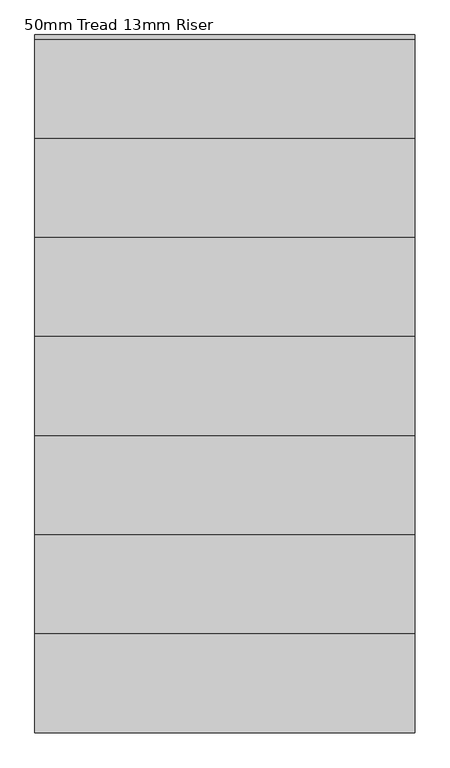
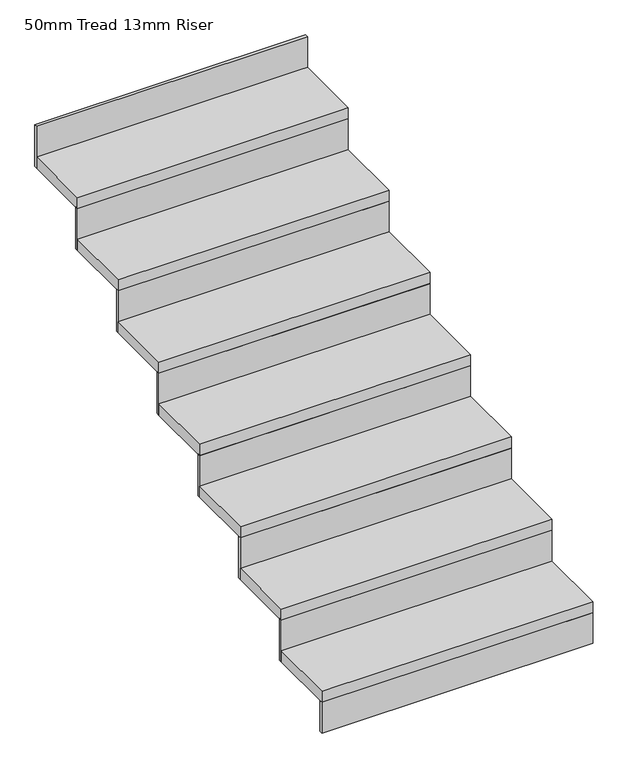
"""IFC4 building model written with IfcOpenShell, lengths in millimetres: stair flight geometry, 50mm Tread 13mm Riser."""

from ifc_helpers import new_model, si_unit, frame, origin, place, context, project, spatial, polyline, outline, extrude, source, transform, mapped, element, save


def stair_flight_50mm_tread_13mm_riser_e009d497(model_context):
    return source(origin(), model_context, "Body", "SweptSolid", [
        extrude(outline(polyline([(1534.355623, -11459.865151), (1534.355623, -11472.365151), (383.6347234, -11472.365151), (383.6347234, -11459.865151), (1534.355623, -11459.865151)])), frame((0.0, 0.0, 15000.0), z_axis=(0.0, 0.0, 1.0), x_axis=(1.0, 0.0, 0.0)), (0.0, 0.0, 1.0), 137.5),
        extrude(outline(polyline([(383.6347234, -11172.365151), (1534.355623, -11172.365151), (1534.355623, -11472.365151), (383.6347234, -11472.365151), (383.6347234, -11172.365151)])), frame((0.0, 0.0, 15137.5), z_axis=(0.0, 0.0, 1.0), x_axis=(1.0, 0.0, 0.0)), (0.0, 0.0, 1.0), 50.0),
        extrude(outline(polyline([(1534.355623, -11159.865151), (1534.355623, -11172.365151), (383.6347234, -11172.365151), (383.6347234, -11159.865151), (1534.355623, -11159.865151)])), frame((0.0, 0.0, 15137.5), z_axis=(0.0, 0.0, 1.0), x_axis=(1.0, 0.0, 0.0)), (0.0, 0.0, 1.0), 187.5),
        extrude(outline(polyline([(383.6347234, -10872.365151), (1534.355623, -10872.365151), (1534.355623, -11172.365151), (383.6347234, -11172.365151), (383.6347234, -10872.365151)])), frame((0.0, 0.0, 15325.0), z_axis=(0.0, 0.0, 1.0), x_axis=(1.0, 0.0, 0.0)), (0.0, 0.0, 1.0), 50.0),
        extrude(outline(polyline([(1534.355623, -10859.865151), (1534.355623, -10872.365151), (383.6347234, -10872.365151), (383.6347234, -10859.865151), (1534.355623, -10859.865151)])), frame((0.0, 0.0, 15325.0), z_axis=(0.0, 0.0, 1.0), x_axis=(1.0, 0.0, 0.0)), (0.0, 0.0, 1.0), 187.5),
        extrude(outline(polyline([(383.6347234, -10572.365151), (1534.355623, -10572.365151), (1534.355623, -10872.365151), (383.6347234, -10872.365151), (383.6347234, -10572.365151)])), frame((0.0, 0.0, 15512.5), z_axis=(0.0, 0.0, 1.0), x_axis=(1.0, 0.0, 0.0)), (0.0, 0.0, 1.0), 50.0),
        extrude(outline(polyline([(1534.355623, -10559.865151), (1534.355623, -10572.365151), (383.6347234, -10572.365151), (383.6347234, -10559.865151), (1534.355623, -10559.865151)])), frame((0.0, 0.0, 15512.5), z_axis=(0.0, 0.0, 1.0), x_axis=(1.0, 0.0, 0.0)), (0.0, 0.0, 1.0), 187.5),
        extrude(outline(polyline([(383.6347234, -10272.365151), (1534.355623, -10272.365151), (1534.355623, -10572.365151), (383.6347234, -10572.365151), (383.6347234, -10272.365151)])), frame((0.0, 0.0, 15700.0), z_axis=(0.0, 0.0, 1.0), x_axis=(1.0, 0.0, 0.0)), (0.0, 0.0, 1.0), 50.0),
        extrude(outline(polyline([(1534.355623, -10259.865151), (1534.355623, -10272.365151), (383.6347234, -10272.365151), (383.6347234, -10259.865151), (1534.355623, -10259.865151)])), frame((0.0, 0.0, 15700.0), z_axis=(0.0, 0.0, 1.0), x_axis=(1.0, 0.0, 0.0)), (0.0, 0.0, 1.0), 187.5),
        extrude(outline(polyline([(383.6347234, -9972.365151), (1534.355623, -9972.365151), (1534.355623, -10272.365151), (383.6347234, -10272.365151), (383.6347234, -9972.365151)])), frame((0.0, 0.0, 15887.5), z_axis=(0.0, 0.0, 1.0), x_axis=(1.0, 0.0, 0.0)), (0.0, 0.0, 1.0), 50.0),
        extrude(outline(polyline([(1534.355623, -9959.865151), (1534.355623, -9972.365151), (383.6347234, -9972.365151), (383.6347234, -9959.865151), (1534.355623, -9959.865151)])), frame((0.0, 0.0, 15887.5), z_axis=(0.0, 0.0, 1.0), x_axis=(1.0, 0.0, 0.0)), (0.0, 0.0, 1.0), 187.5),
        extrude(outline(polyline([(383.6347234, -9672.365151), (1534.355623, -9672.365151), (1534.355623, -9972.365151), (383.6347234, -9972.365151), (383.6347234, -9672.365151)])), frame((0.0, 0.0, 16075.0), z_axis=(0.0, 0.0, 1.0), x_axis=(1.0, 0.0, 0.0)), (0.0, 0.0, 1.0), 50.0),
        extrude(outline(polyline([(1534.355623, -9659.865151), (1534.355623, -9672.365151), (383.6347234, -9672.365151), (383.6347234, -9659.865151), (1534.355623, -9659.865151)])), frame((0.0, 0.0, 16075.0), z_axis=(0.0, 0.0, 1.0), x_axis=(1.0, 0.0, 0.0)), (0.0, 0.0, 1.0), 187.5),
        extrude(outline(polyline([(1534.355623, -9359.865151), (1534.355623, -9372.365151), (383.6347234, -9372.365151), (383.6347234, -9359.865151), (1534.355623, -9359.865151)])), frame((0.0, 0.0, 16262.5), z_axis=(0.0, 0.0, 1.0), x_axis=(1.0, 0.0, 0.0)), (0.0, 0.0, 1.0), 187.5),
        extrude(outline(polyline([(383.6347234, -9372.365151), (1534.355623, -9372.365151), (1534.355623, -9672.365151), (383.6347234, -9672.365151), (383.6347234, -9372.365151)])), frame((0.0, 0.0, 16262.5), z_axis=(0.0, 0.0, 1.0), x_axis=(1.0, 0.0, 0.0)), (0.0, 0.0, 1.0), 50.0),
    ])


if __name__ == "__main__":
    model = new_model("IFC4")
    model_context = context("Model", 3, world=origin())
    ifc_project = project(units=[si_unit("LENGTHUNIT", "METRE", prefix="MILLI")], contexts=[model_context])
    site = spatial("IfcSite", under=ifc_project)
    building = spatial("IfcBuilding", under=site)
    placement = place(None, origin())
    stair_flight_50mm_tread_13mm_riser_shape = stair_flight_50mm_tread_13mm_riser_e009d497(model_context)
    element("IfcStairFlight", 1, ObjectType="50mm Tread 13mm Riser", at=placement, inside=building, context=model_context, shape_type="MappedRepresentation", body=[
        mapped(stair_flight_50mm_tread_13mm_riser_shape, transform((0.0, 0.0, 0.0), x_axis=(1.0, 0.0, 0.0), y_axis=(0.0, 1.0, 0.0), z_axis=(0.0, 0.0, 1.0))),
    ])
    save(model, "model.ifc")
